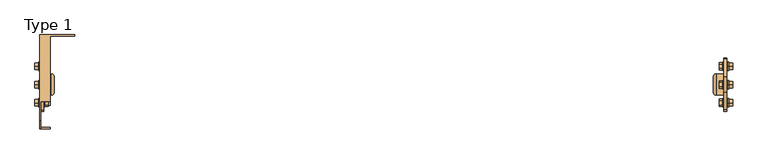
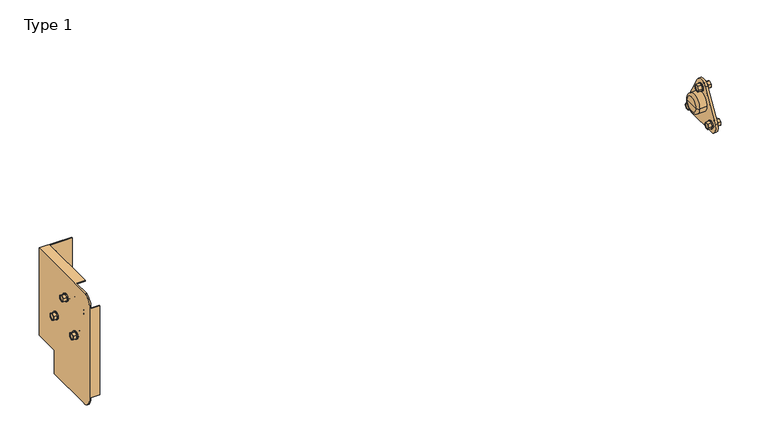
"""IFC4 building model written with IfcOpenShell, lengths in millimetres: door geometry, Type 1."""

from ifc_helpers import new_model, si_unit, point, frame, frame_2d, origin, place, context, project, spatial, polyline, circle_curve, ellipse_curve, trimmed, segment, composite_curve, outline, extrude, faceted_brep, source, transform, mapped, element, save
from ifc_brep_helpers import plane_surface, cylinder_surface, revolved_surface, advanced_brep


def type_1_a5070d09(model_context):
    return source(origin(), model_context, "Body", "SolidModel", [
        faceted_brep([(-633.7, -163.8018734, 2137.2589329), (-633.7, -170.7981266, 2137.2589329), (-633.7, -174.2962531, 2131.2), (-633.7, -170.7981266, 2125.1410671), (-633.7, -163.8018734, 2125.1410671), (-633.7, -160.3037469, 2131.2), (-633.7, -164.3, 2126.0038476), (-633.7, -170.3, 2126.0038476), (-633.7, -173.3, 2131.2), (-633.7, -170.3, 2136.3961524), (-633.7, -164.3, 2136.3961524), (-633.7, -161.3, 2131.2), (-640.7, -163.8018734, 2137.2589329), (-640.7, -160.3037469, 2131.2), (-640.7, -163.8018734, 2125.1410671), (-640.7, -170.7981266, 2125.1410671), (-640.7, -174.2962531, 2131.2), (-640.7, -170.7981266, 2137.2589329), (-634.7, -164.3, 2126.0038476), (-634.7, -161.3, 2131.2), (-634.7, -164.3, 2136.3961524), (-634.7, -170.3, 2136.3961524), (-634.7, -173.3, 2131.2), (-634.7, -170.3, 2126.0038476)], [[[0, 1, 2, 3, 4, 5], [6, 7, 8, 9, 10, 11]], [[12, 13, 14, 15, 16, 17]], [[1, 0, 12, 17]], [[2, 1, 17, 16]], [[3, 2, 16, 15]], [[4, 3, 15, 14]], [[5, 4, 14, 13]], [[0, 5, 13, 12]], [[18, 19, 20, 21, 22, 23]], [[18, 23, 7, 6]], [[23, 22, 8, 7]], [[22, 21, 9, 8]], [[21, 20, 10, 9]], [[20, 19, 11, 10]], [[19, 18, 6, 11]]]),
        extrude(outline(composite_curve([segment(trimmed(circle_curve(frame_2d((-167.3, 2131.2)), 8.0), [point((-175.3, 2131.2))], [point((-159.3, 2131.2))], False, "CARTESIAN"), True, "CONTINUOUS"), segment(trimmed(circle_curve(frame_2d((-167.3, 2131.2)), 8.0), [point((-159.3, 2131.2))], [point((-175.3, 2131.2))], False, "CARTESIAN"), True, "CONTINUOUS")], self_intersect=False), holes=[composite_curve([segment(trimmed(circle_curve(frame_2d((-167.3, 2131.2)), 4.5), [point((-171.8, 2131.2))], [point((-162.8, 2131.2))], True, "CARTESIAN"), True, "CONTINUOUS"), segment(trimmed(circle_curve(frame_2d((-167.3, 2131.2)), 4.5), [point((-162.8, 2131.2))], [point((-171.8, 2131.2))], True, "CARTESIAN"), True, "CONTINUOUS")], self_intersect=False)]), frame((-642.7, 0.0, 0.0), z_axis=(1.0, 0.0, 0.0), x_axis=(0.0, 1.0, 0.0)), (0.0, 0.0, 1.0), 2.0),
        advanced_brep(
        [(-622.7, -117.7, 2161.2), (-622.7, -147.7, 2161.2), (-622.7, -132.7, 2161.2), (-627.7, -112.7, 2161.2), (-627.7, -152.7, 2161.2), (-642.7, -112.7, 2161.2), (-642.7, -152.7, 2161.2), (-642.7, -132.7, 2161.2)],
        [
            (0, 1, circle_curve(frame((-622.7, -132.7, 2161.2), z_axis=(1.0, 0.0, 0.0), x_axis=(0.0, -1.0, 0.0)), 15.0)),
            (1, 2),
            (2, 0),
            (1, 0, circle_curve(frame((-622.7, -132.7, 2161.2), z_axis=(1.0, 0.0, 0.0), x_axis=(0.0, -1.0, 0.0)), 15.0)),
            (3, 4, circle_curve(frame((-627.7, -132.7, 2161.2), z_axis=(1.0, 0.0, 0.0), x_axis=(0.0, -1.0, 0.0)), 20.0)),
            (4, 1, circle_curve(frame((-627.7, -147.7, 2161.2), z_axis=(0.0, 0.0, 1.0), x_axis=(0.0, 1.0, 0.0)), 5.0)),
            (0, 3, circle_curve(frame((-627.7, -117.7, 2161.2), z_axis=(0.0, 0.0, 1.0), x_axis=(0.0, -1.0, 0.0)), 5.0)),
            (4, 3, circle_curve(frame((-627.7, -132.7, 2161.2), z_axis=(1.0, 0.0, 0.0), x_axis=(0.0, -1.0, 0.0)), 20.0)),
            (5, 6, circle_curve(frame((-642.7, -132.7, 2161.2), z_axis=(1.0, 0.0, 0.0), x_axis=(0.0, -1.0, 0.0)), 20.0)),
            (6, 4),
            (3, 5),
            (6, 5, circle_curve(frame((-642.7, -132.7, 2161.2), z_axis=(1.0, 0.0, 0.0), x_axis=(0.0, -1.0, 0.0)), 20.0)),
            (7, 6),
            (5, 7),
        ],
        [
            plane_surface(frame((-622.7, -132.7, 2161.2), z_axis=(1.0, 0.0, 0.0), x_axis=(0.0, -1.0, 0.0))),
            revolved_surface(trimmed(ellipse_curve(frame((-627.7, -147.7, 2161.2), z_axis=(0.0, 0.0, -1.0), x_axis=(0.0, 1.0, 0.0)), 5.0, 5.0), [point((-622.7, -147.7, 2161.2))], [point((-627.7, -152.7, 2161.2))], True, "CARTESIAN"), (1961.3581012, -132.7, 2161.2), (-1.0, 0.0, 0.0)),
            cylinder_surface(frame((1961.3581012, -132.7, 2161.2), z_axis=(-1.0, 0.0, 0.0), x_axis=(0.0, -1.0, 0.0)), 20.0),
            plane_surface(frame((-642.7, -132.7, 2161.2), z_axis=(-1.0, 0.0, 0.0), x_axis=(0.0, -1.0, 0.0))),
        ],
        [
            (0, [[1, 2, 3]]),
            (0, [[4, -3, -2]]),
            (1, [[5, 6, -1, 7]]),
            (1, [[8, -7, -4, -6]]),
            (2, [[9, 10, -5, 11]]),
            (2, [[12, -11, -8, -10]]),
            (3, [[13, -9, 14]]),
            (3, [[-14, -12, -13]]),
        ],
    ),
        extrude(outline(composite_curve([segment(polyline([(-118.8394925, 2199.1928926), (-84.2394925, 2139.1928926)]), True, "CONTINUOUS"), segment(trimmed(circle_curve(frame_2d((-98.1, 2131.2)), 16.0), [point((-84.2394925, 2139.1928926))], [point((-98.1, 2115.2))], False, "CARTESIAN"), True, "CONTINUOUS"), segment(polyline([(-98.1, 2115.2), (-167.3, 2115.2)]), True, "CONTINUOUS"), segment(trimmed(circle_curve(frame_2d((-167.3, 2131.2)), 16.0), [point((-167.3, 2115.2))], [point((-181.1605075, 2139.1928926))], False, "CARTESIAN"), True, "CONTINUOUS"), segment(polyline([(-181.1605075, 2139.1928926), (-146.5605075, 2199.1928926)]), True, "CONTINUOUS"), segment(trimmed(circle_curve(frame_2d((-132.7, 2191.2)), 16.0), [point((-146.5605075, 2199.1928926))], [point((-118.8394925, 2199.1928926))], False, "CARTESIAN"), True, "CONTINUOUS")], self_intersect=False), holes=[composite_curve([segment(trimmed(circle_curve(frame_2d((-132.7, 2191.2)), 4.0), [point((-136.7, 2191.2))], [point((-128.7, 2191.2))], True, "CARTESIAN"), True, "CONTINUOUS"), segment(trimmed(circle_curve(frame_2d((-132.7, 2191.2)), 4.0), [point((-128.7, 2191.2))], [point((-136.7, 2191.2))], True, "CARTESIAN"), True, "CONTINUOUS")], self_intersect=False), composite_curve([segment(trimmed(circle_curve(frame_2d((-167.3, 2131.2)), 4.0), [point((-171.3, 2131.2))], [point((-163.3, 2131.2))], True, "CARTESIAN"), True, "CONTINUOUS"), segment(trimmed(circle_curve(frame_2d((-167.3, 2131.2)), 4.0), [point((-163.3, 2131.2))], [point((-171.3, 2131.2))], True, "CARTESIAN"), True, "CONTINUOUS")], self_intersect=False), composite_curve([segment(trimmed(circle_curve(frame_2d((-98.1, 2131.2)), 4.0), [point((-102.1, 2131.2))], [point((-94.1, 2131.2))], True, "CARTESIAN"), True, "CONTINUOUS"), segment(trimmed(circle_curve(frame_2d((-98.1, 2131.2)), 4.0), [point((-94.1, 2131.2))], [point((-102.1, 2131.2))], True, "CARTESIAN"), True, "CONTINUOUS")], self_intersect=False)]), frame((-647.7, 0.0, 0.0), z_axis=(1.0, 0.0, 0.0), x_axis=(0.0, 1.0, 0.0)), (0.0, 0.0, 1.0), 5.0),
        faceted_brep([(633.7, -136.1981266, 2197.2589329), (633.7, -129.2018734, 2197.2589329), (633.7, -125.7037469, 2191.2), (633.7, -129.2018734, 2185.1410671), (633.7, -136.1981266, 2185.1410671), (633.7, -139.6962531, 2191.2), (633.7, -135.7, 2186.0038476), (633.7, -129.7, 2186.0038476), (633.7, -126.7, 2191.2), (633.7, -129.7, 2196.3961524), (633.7, -135.7, 2196.3961524), (633.7, -138.7, 2191.2), (640.7, -136.1981266, 2197.2589329), (640.7, -139.6962531, 2191.2), (640.7, -136.1981266, 2185.1410671), (640.7, -129.2018734, 2185.1410671), (640.7, -125.7037469, 2191.2), (640.7, -129.2018734, 2197.2589329), (634.7, -135.7, 2186.0038476), (634.7, -138.7, 2191.2), (634.7, -135.7, 2196.3961524), (634.7, -129.7, 2196.3961524), (634.7, -126.7, 2191.2), (634.7, -129.7, 2186.0038476)], [[[0, 1, 2, 3, 4, 5], [6, 7, 8, 9, 10, 11]], [[12, 13, 14, 15, 16, 17]], [[1, 0, 12, 17]], [[2, 1, 17, 16]], [[3, 2, 16, 15]], [[4, 3, 15, 14]], [[5, 4, 14, 13]], [[0, 5, 13, 12]], [[18, 19, 20, 21, 22, 23]], [[18, 23, 7, 6]], [[23, 22, 8, 7]], [[22, 21, 9, 8]], [[21, 20, 10, 9]], [[20, 19, 11, 10]], [[19, 18, 6, 11]]]),
        extrude(outline(composite_curve([segment(trimmed(circle_curve(frame_2d((-132.7, 2191.2)), 8.0), [point((-124.7, 2191.2))], [point((-140.7, 2191.2))], False, "CARTESIAN"), True, "CONTINUOUS"), segment(trimmed(circle_curve(frame_2d((-132.7, 2191.2)), 8.0), [point((-140.7, 2191.2))], [point((-124.7, 2191.2))], False, "CARTESIAN"), True, "CONTINUOUS")], self_intersect=False), holes=[composite_curve([segment(trimmed(circle_curve(frame_2d((-132.7, 2191.2)), 4.5), [point((-128.2, 2191.2))], [point((-137.2, 2191.2))], True, "CARTESIAN"), True, "CONTINUOUS"), segment(trimmed(circle_curve(frame_2d((-132.7, 2191.2)), 4.5), [point((-137.2, 2191.2))], [point((-128.2, 2191.2))], True, "CARTESIAN"), True, "CONTINUOUS")], self_intersect=False)]), frame((640.7, 0.0, 0.0), z_axis=(1.0, 0.0, 0.0), x_axis=(0.0, 1.0, 0.0)), (0.0, 0.0, 1.0), 2.0),
        faceted_brep([(633.7, -170.7981266, 2137.2589329), (633.7, -163.8018734, 2137.2589329), (633.7, -160.3037469, 2131.2), (633.7, -163.8018734, 2125.1410671), (633.7, -170.7981266, 2125.1410671), (633.7, -174.2962531, 2131.2), (633.7, -170.3, 2126.0038476), (633.7, -164.3, 2126.0038476), (633.7, -161.3, 2131.2), (633.7, -164.3, 2136.3961524), (633.7, -170.3, 2136.3961524), (633.7, -173.3, 2131.2), (640.7, -170.7981266, 2137.2589329), (640.7, -174.2962531, 2131.2), (640.7, -170.7981266, 2125.1410671), (640.7, -163.8018734, 2125.1410671), (640.7, -160.3037469, 2131.2), (640.7, -163.8018734, 2137.2589329), (634.7, -170.3, 2126.0038476), (634.7, -173.3, 2131.2), (634.7, -170.3, 2136.3961524), (634.7, -164.3, 2136.3961524), (634.7, -161.3, 2131.2), (634.7, -164.3, 2126.0038476)], [[[0, 1, 2, 3, 4, 5], [6, 7, 8, 9, 10, 11]], [[12, 13, 14, 15, 16, 17]], [[1, 0, 12, 17]], [[2, 1, 17, 16]], [[3, 2, 16, 15]], [[4, 3, 15, 14]], [[5, 4, 14, 13]], [[0, 5, 13, 12]], [[18, 19, 20, 21, 22, 23]], [[18, 23, 7, 6]], [[23, 22, 8, 7]], [[22, 21, 9, 8]], [[21, 20, 10, 9]], [[20, 19, 11, 10]], [[19, 18, 6, 11]]]),
        extrude(outline(composite_curve([segment(trimmed(circle_curve(frame_2d((-167.3, 2131.2)), 8.0), [point((-159.3, 2131.2))], [point((-175.3, 2131.2))], False, "CARTESIAN"), True, "CONTINUOUS"), segment(trimmed(circle_curve(frame_2d((-167.3, 2131.2)), 8.0), [point((-175.3, 2131.2))], [point((-159.3, 2131.2))], False, "CARTESIAN"), True, "CONTINUOUS")], self_intersect=False), holes=[composite_curve([segment(trimmed(circle_curve(frame_2d((-167.3, 2131.2)), 4.5), [point((-162.8, 2131.2))], [point((-171.8, 2131.2))], True, "CARTESIAN"), True, "CONTINUOUS"), segment(trimmed(circle_curve(frame_2d((-167.3, 2131.2)), 4.5), [point((-171.8, 2131.2))], [point((-162.8, 2131.2))], True, "CARTESIAN"), True, "CONTINUOUS")], self_intersect=False)]), frame((640.7, 0.0, 0.0), z_axis=(1.0, 0.0, 0.0), x_axis=(0.0, 1.0, 0.0)), (0.0, 0.0, 1.0), 2.0),
        faceted_brep([(633.7, -101.5981266, 2137.2589329), (633.7, -94.6018734, 2137.2589329), (633.7, -91.1037469, 2131.2), (633.7, -94.6018734, 2125.1410671), (633.7, -101.5981266, 2125.1410671), (633.7, -105.0962531, 2131.2), (633.7, -101.1, 2126.0038476), (633.7, -95.1, 2126.0038476), (633.7, -92.1, 2131.2), (633.7, -95.1, 2136.3961524), (633.7, -101.1, 2136.3961524), (633.7, -104.1, 2131.2), (640.7, -101.5981266, 2137.2589329), (640.7, -105.0962531, 2131.2), (640.7, -101.5981266, 2125.1410671), (640.7, -94.6018734, 2125.1410671), (640.7, -91.1037469, 2131.2), (640.7, -94.6018734, 2137.2589329), (634.7, -101.1, 2126.0038476), (634.7, -104.1, 2131.2), (634.7, -101.1, 2136.3961524), (634.7, -95.1, 2136.3961524), (634.7, -92.1, 2131.2), (634.7, -95.1, 2126.0038476)], [[[0, 1, 2, 3, 4, 5], [6, 7, 8, 9, 10, 11]], [[12, 13, 14, 15, 16, 17]], [[1, 0, 12, 17]], [[2, 1, 17, 16]], [[3, 2, 16, 15]], [[4, 3, 15, 14]], [[5, 4, 14, 13]], [[0, 5, 13, 12]], [[18, 19, 20, 21, 22, 23]], [[18, 23, 7, 6]], [[23, 22, 8, 7]], [[22, 21, 9, 8]], [[21, 20, 10, 9]], [[20, 19, 11, 10]], [[19, 18, 6, 11]]]),
        extrude(outline(composite_curve([segment(trimmed(circle_curve(frame_2d((-98.1, 2131.2)), 8.0), [point((-90.1, 2131.2))], [point((-106.1, 2131.2))], False, "CARTESIAN"), True, "CONTINUOUS"), segment(trimmed(circle_curve(frame_2d((-98.1, 2131.2)), 8.0), [point((-106.1, 2131.2))], [point((-90.1, 2131.2))], False, "CARTESIAN"), True, "CONTINUOUS")], self_intersect=False), holes=[composite_curve([segment(trimmed(circle_curve(frame_2d((-98.1, 2131.2)), 4.5), [point((-93.6, 2131.2))], [point((-102.6, 2131.2))], True, "CARTESIAN"), True, "CONTINUOUS"), segment(trimmed(circle_curve(frame_2d((-98.1, 2131.2)), 4.5), [point((-102.6, 2131.2))], [point((-93.6, 2131.2))], True, "CARTESIAN"), True, "CONTINUOUS")], self_intersect=False)]), frame((640.7, 0.0, 0.0), z_axis=(1.0, 0.0, 0.0), x_axis=(0.0, 1.0, 0.0)), (0.0, 0.0, 1.0), 2.0),
        advanced_brep(
        [(622.7, -147.7, 2161.2), (622.7, -117.7, 2161.2), (622.7, -132.7, 2161.2), (627.7, -152.7, 2161.2), (627.7, -112.7, 2161.2), (642.7, -152.7, 2161.2), (642.7, -112.7, 2161.2), (642.7, -132.7, 2161.2)],
        [
            (0, 1, circle_curve(frame((622.7, -132.7, 2161.2), z_axis=(-1.0, 0.0, 0.0), x_axis=(0.0, 1.0, 0.0)), 15.0)),
            (1, 2),
            (2, 0),
            (1, 0, circle_curve(frame((622.7, -132.7, 2161.2), z_axis=(-1.0, 0.0, 0.0), x_axis=(0.0, 1.0, 0.0)), 15.0)),
            (3, 4, circle_curve(frame((627.7, -132.7, 2161.2), z_axis=(-1.0, 0.0, 0.0), x_axis=(0.0, 1.0, 0.0)), 20.0)),
            (4, 1, circle_curve(frame((627.7, -117.7, 2161.2), z_axis=(0.0, 0.0, 1.0), x_axis=(0.0, -1.0, 0.0)), 5.0)),
            (0, 3, circle_curve(frame((627.7, -147.7, 2161.2), z_axis=(0.0, 0.0, 1.0), x_axis=(0.0, 1.0, 0.0)), 5.0)),
            (4, 3, circle_curve(frame((627.7, -132.7, 2161.2), z_axis=(-1.0, 0.0, 0.0), x_axis=(0.0, 1.0, 0.0)), 20.0)),
            (5, 6, circle_curve(frame((642.7, -132.7, 2161.2), z_axis=(-1.0, 0.0, 0.0), x_axis=(0.0, 1.0, 0.0)), 20.0)),
            (6, 4),
            (3, 5),
            (6, 5, circle_curve(frame((642.7, -132.7, 2161.2), z_axis=(-1.0, 0.0, 0.0), x_axis=(0.0, 1.0, 0.0)), 20.0)),
            (7, 6),
            (5, 7),
        ],
        [
            plane_surface(frame((622.7, -132.7, 2161.2), z_axis=(-1.0, 0.0, 0.0), x_axis=(0.0, 1.0, 0.0))),
            revolved_surface(trimmed(ellipse_curve(frame((627.7, -117.7, 2161.2), z_axis=(0.0, 0.0, -1.0), x_axis=(0.0, -1.0, 0.0)), 5.0, 5.0), [point((622.7, -117.7, 2161.2))], [point((627.7, -112.7, 2161.2))], True, "CARTESIAN"), (-1961.3581012, -132.7, 2161.2), (1.0, 0.0, 0.0)),
            cylinder_surface(frame((-1961.3581012, -132.7, 2161.2), z_axis=(1.0, 0.0, 0.0), x_axis=(0.0, 1.0, 0.0)), 20.0),
            plane_surface(frame((642.7, -132.7, 2161.2), z_axis=(1.0, 0.0, 0.0), x_axis=(0.0, 1.0, 0.0))),
        ],
        [
            (0, [[1, 2, 3]]),
            (0, [[4, -3, -2]]),
            (1, [[5, 6, -1, 7]]),
            (1, [[8, -7, -4, -6]]),
            (2, [[9, 10, -5, 11]]),
            (2, [[12, -11, -8, -10]]),
            (3, [[13, -9, 14]]),
            (3, [[-14, -12, -13]]),
        ],
    ),
        extrude(outline(composite_curve([segment(trimmed(circle_curve(frame_2d((-132.7, 2191.2)), 16.0), [point((-146.5605075, 2199.1928926))], [point((-118.8394925, 2199.1928926))], False, "CARTESIAN"), True, "CONTINUOUS"), segment(polyline([(-118.8394925, 2199.1928926), (-84.2394925, 2139.1928926)]), True, "CONTINUOUS"), segment(trimmed(circle_curve(frame_2d((-98.1, 2131.2)), 16.0), [point((-84.2394925, 2139.1928926))], [point((-98.1, 2115.2))], False, "CARTESIAN"), True, "CONTINUOUS"), segment(polyline([(-98.1, 2115.2), (-167.3, 2115.2)]), True, "CONTINUOUS"), segment(trimmed(circle_curve(frame_2d((-167.3, 2131.2)), 16.0), [point((-167.3, 2115.2))], [point((-181.1605075, 2139.1928926))], False, "CARTESIAN"), True, "CONTINUOUS"), segment(polyline([(-181.1605075, 2139.1928926), (-146.5605075, 2199.1928926)]), True, "CONTINUOUS")], self_intersect=False), holes=[composite_curve([segment(trimmed(circle_curve(frame_2d((-132.7, 2191.2)), 4.0), [point((-128.7, 2191.2))], [point((-136.7, 2191.2))], True, "CARTESIAN"), True, "CONTINUOUS"), segment(trimmed(circle_curve(frame_2d((-132.7, 2191.2)), 4.0), [point((-136.7, 2191.2))], [point((-128.7, 2191.2))], True, "CARTESIAN"), True, "CONTINUOUS")], self_intersect=False), composite_curve([segment(trimmed(circle_curve(frame_2d((-98.1, 2131.2)), 4.0), [point((-94.1, 2131.2))], [point((-102.1, 2131.2))], True, "CARTESIAN"), True, "CONTINUOUS"), segment(trimmed(circle_curve(frame_2d((-98.1, 2131.2)), 4.0), [point((-102.1, 2131.2))], [point((-94.1, 2131.2))], True, "CARTESIAN"), True, "CONTINUOUS")], self_intersect=False), composite_curve([segment(trimmed(circle_curve(frame_2d((-167.3, 2131.2)), 4.0), [point((-163.3, 2131.2))], [point((-171.3, 2131.2))], True, "CARTESIAN"), True, "CONTINUOUS"), segment(trimmed(circle_curve(frame_2d((-167.3, 2131.2)), 4.0), [point((-171.3, 2131.2))], [point((-163.3, 2131.2))], True, "CARTESIAN"), True, "CONTINUOUS")], self_intersect=False)]), frame((642.7, 0.0, 0.0), z_axis=(1.0, 0.0, 0.0), x_axis=(0.0, 1.0, 0.0)), (0.0, 0.0, 1.0), 5.0),
        faceted_brep([(-659.0, -104.1179168, 2134.6981266), (-659.0, -98.0589838, 2138.1962531), (-659.0, -92.0000509, 2134.6981266), (-659.0, -92.0000509, 2127.7018734), (-659.0, -98.0589838, 2124.2037469), (-659.0, -104.1179168, 2127.7018734), (-659.0, -92.8628314, 2134.2), (-659.0, -98.0589838, 2137.2), (-659.0, -103.2551363, 2134.2), (-659.0, -103.2551363, 2128.2), (-659.0, -98.0589838, 2125.2), (-659.0, -92.8628314, 2128.2), (-652.0, -104.1179168, 2134.6981266), (-652.0, -104.1179168, 2127.7018734), (-652.0, -98.0589838, 2124.2037469), (-652.0, -92.0000509, 2127.7018734), (-652.0, -92.0000509, 2134.6981266), (-652.0, -98.0589838, 2138.1962531), (-658.0, -92.8628314, 2134.2), (-658.0, -92.8628314, 2128.2), (-658.0, -98.0589838, 2125.2), (-658.0, -103.2551363, 2128.2), (-658.0, -103.2551363, 2134.2), (-658.0, -98.0589838, 2137.2)], [[[0, 1, 2, 3, 4, 5], [6, 7, 8, 9, 10, 11]], [[12, 13, 14, 15, 16, 17]], [[5, 13, 12, 0]], [[4, 14, 13, 5]], [[3, 15, 14, 4]], [[2, 16, 15, 3]], [[1, 17, 16, 2]], [[0, 12, 17, 1]], [[18, 19, 20, 21, 22, 23]], [[18, 6, 11, 19]], [[19, 11, 10, 20]], [[20, 10, 9, 21]], [[21, 9, 8, 22]], [[22, 8, 7, 23]], [[23, 7, 6, 18]]]),
        extrude(outline(composite_curve([segment(trimmed(circle_curve(frame_2d((-98.0589838, 2131.2)), 8.0), [point((-98.0589838, 2123.2))], [point((-98.0589838, 2139.2))], False, "CARTESIAN"), True, "CONTINUOUS"), segment(trimmed(circle_curve(frame_2d((-98.0589838, 2131.2)), 8.0), [point((-98.0589838, 2139.2))], [point((-98.0589838, 2123.2))], False, "CARTESIAN"), True, "CONTINUOUS")], self_intersect=False), holes=[composite_curve([segment(trimmed(circle_curve(frame_2d((-98.0589838, 2131.2)), 4.5), [point((-98.0589838, 2126.7))], [point((-98.0589838, 2135.7))], True, "CARTESIAN"), True, "CONTINUOUS"), segment(trimmed(circle_curve(frame_2d((-98.0589838, 2131.2)), 4.5), [point((-98.0589838, 2135.7))], [point((-98.0589838, 2126.7))], True, "CARTESIAN"), True, "CONTINUOUS")], self_intersect=False)]), frame((-652.0, 0.0, 0.0), z_axis=(1.0, 0.0, 0.0), x_axis=(0.0, 1.0, 0.0)), (0.0, 0.0, 1.0), 2.0),
        faceted_brep([(-659.0, -173.3999491, 2134.6981266), (-659.0, -167.3410162, 2138.1962531), (-659.0, -161.2820832, 2134.6981266), (-659.0, -161.2820832, 2127.7018734), (-659.0, -167.3410162, 2124.2037469), (-659.0, -173.3999491, 2127.7018734), (-659.0, -162.1448637, 2134.2), (-659.0, -167.3410162, 2137.2), (-659.0, -172.5371686, 2134.2), (-659.0, -172.5371686, 2128.2), (-659.0, -167.3410162, 2125.2), (-659.0, -162.1448637, 2128.2), (-652.0, -173.3999491, 2134.6981266), (-652.0, -173.3999491, 2127.7018734), (-652.0, -167.3410162, 2124.2037469), (-652.0, -161.2820832, 2127.7018734), (-652.0, -161.2820832, 2134.6981266), (-652.0, -167.3410162, 2138.1962531), (-658.0, -162.1448637, 2134.2), (-658.0, -162.1448637, 2128.2), (-658.0, -167.3410162, 2125.2), (-658.0, -172.5371686, 2128.2), (-658.0, -172.5371686, 2134.2), (-658.0, -167.3410162, 2137.2)], [[[0, 1, 2, 3, 4, 5], [6, 7, 8, 9, 10, 11]], [[12, 13, 14, 15, 16, 17]], [[5, 13, 12, 0]], [[4, 14, 13, 5]], [[3, 15, 14, 4]], [[2, 16, 15, 3]], [[1, 17, 16, 2]], [[0, 12, 17, 1]], [[18, 19, 20, 21, 22, 23]], [[18, 6, 11, 19]], [[19, 11, 10, 20]], [[20, 10, 9, 21]], [[21, 9, 8, 22]], [[22, 8, 7, 23]], [[23, 7, 6, 18]]]),
        extrude(outline(composite_curve([segment(trimmed(circle_curve(frame_2d((-167.3410162, 2131.2)), 8.0), [point((-167.3410162, 2123.2))], [point((-167.3410162, 2139.2))], False, "CARTESIAN"), True, "CONTINUOUS"), segment(trimmed(circle_curve(frame_2d((-167.3410162, 2131.2)), 8.0), [point((-167.3410162, 2139.2))], [point((-167.3410162, 2123.2))], False, "CARTESIAN"), True, "CONTINUOUS")], self_intersect=False), holes=[composite_curve([segment(trimmed(circle_curve(frame_2d((-167.3410162, 2131.2)), 4.5), [point((-167.3410162, 2126.7))], [point((-167.3410162, 2135.7))], True, "CARTESIAN"), True, "CONTINUOUS"), segment(trimmed(circle_curve(frame_2d((-167.3410162, 2131.2)), 4.5), [point((-167.3410162, 2135.7))], [point((-167.3410162, 2126.7))], True, "CARTESIAN"), True, "CONTINUOUS")], self_intersect=False)]), frame((-652.0, 0.0, 0.0), z_axis=(1.0, 0.0, 0.0), x_axis=(0.0, 1.0, 0.0)), (0.0, 0.0, 1.0), 2.0),
        faceted_brep([(-659.0, -138.7589329, 2194.6981266), (-659.0, -132.7, 2198.1962531), (-659.0, -126.6410671, 2194.6981266), (-659.0, -126.6410671, 2187.7018734), (-659.0, -132.7, 2184.2037469), (-659.0, -138.7589329, 2187.7018734), (-659.0, -127.5038476, 2194.2), (-659.0, -132.7, 2197.2), (-659.0, -137.8961524, 2194.2), (-659.0, -137.8961524, 2188.2), (-659.0, -132.7, 2185.2), (-659.0, -127.5038476, 2188.2), (-652.0, -138.7589329, 2194.6981266), (-652.0, -138.7589329, 2187.7018734), (-652.0, -132.7, 2184.2037469), (-652.0, -126.6410671, 2187.7018734), (-652.0, -126.6410671, 2194.6981266), (-652.0, -132.7, 2198.1962531), (-658.0, -127.5038476, 2194.2), (-658.0, -127.5038476, 2188.2), (-658.0, -132.7, 2185.2), (-658.0, -137.8961524, 2188.2), (-658.0, -137.8961524, 2194.2), (-658.0, -132.7, 2197.2)], [[[0, 1, 2, 3, 4, 5], [6, 7, 8, 9, 10, 11]], [[12, 13, 14, 15, 16, 17]], [[5, 13, 12, 0]], [[4, 14, 13, 5]], [[3, 15, 14, 4]], [[2, 16, 15, 3]], [[1, 17, 16, 2]], [[0, 12, 17, 1]], [[18, 19, 20, 21, 22, 23]], [[18, 6, 11, 19]], [[19, 11, 10, 20]], [[20, 10, 9, 21]], [[21, 9, 8, 22]], [[22, 8, 7, 23]], [[23, 7, 6, 18]]]),
        extrude(outline(composite_curve([segment(trimmed(circle_curve(frame_2d((-132.7, 2191.2)), 8.0), [point((-132.7, 2183.2))], [point((-132.7, 2199.2))], False, "CARTESIAN"), True, "CONTINUOUS"), segment(trimmed(circle_curve(frame_2d((-132.7, 2191.2)), 8.0), [point((-132.7, 2199.2))], [point((-132.7, 2183.2))], False, "CARTESIAN"), True, "CONTINUOUS")], self_intersect=False), holes=[composite_curve([segment(trimmed(circle_curve(frame_2d((-132.7, 2191.2)), 4.5), [point((-132.7, 2186.7))], [point((-132.7, 2195.7))], True, "CARTESIAN"), True, "CONTINUOUS"), segment(trimmed(circle_curve(frame_2d((-132.7, 2191.2)), 4.5), [point((-132.7, 2195.7))], [point((-132.7, 2186.7))], True, "CARTESIAN"), True, "CONTINUOUS")], self_intersect=False)]), frame((-652.0, 0.0, 0.0), z_axis=(1.0, 0.0, 0.0), x_axis=(0.0, 1.0, 0.0)), (0.0, 0.0, 1.0), 2.0),
        advanced_brep(
        [(-647.7, -194.5, 2001.0), (-647.7, -171.9, 2001.0), (-647.7, -171.9, 2003.3), (-647.7, -108.3, 2003.3), (-647.7, -108.3, 2001.0), (-647.7, -91.5, 2001.0), (-647.7, -91.5, 2052.0), (-647.7, -52.5, 2052.0), (-647.7, -52.5, 2054.3), (-647.7, -40.8, 2054.3), (-647.7, -40.8, 2237.7), (-647.7, -165.0, 2237.7), (-647.7, -165.0, 2240.0), (-647.7, -200.8030296, 2240.0), (-647.7, -216.5, 2218.7), (-647.7, -216.5, 2216.0), (-647.7, -214.2, 2216.0), (-647.7, -214.2, 2025.0), (-647.7, -216.5, 2025.0), (-647.7, -216.5, 2023.0), (-647.7, -132.7, 2186.7), (-647.7, -132.7, 2195.7), (-647.7, -167.3410162, 2126.7), (-647.7, -167.3410162, 2135.7), (-647.7, -98.0589838, 2126.7), (-647.7, -98.0589838, 2135.7), (-650.0, -194.5, 2001.0), (-650.0, -216.5, 2023.0), (-650.0, -216.5, 2218.7), (-650.0, -200.8030296, 2240.0), (-650.0, -38.5, 2240.0), (-650.0, -38.5, 2052.0), (-650.0, -91.5, 2052.0), (-650.0, -91.5, 2001.0), (-650.0, -132.7, 2195.7), (-650.0, -132.7, 2186.7), (-650.0, -167.3410162, 2135.7), (-650.0, -167.3410162, 2126.7), (-650.0, -98.0589838, 2135.7), (-650.0, -98.0589838, 2126.7), (-629.7, -108.3, 2001.0), (-629.7, -171.9, 2001.0), (-584.0, -38.5, 2052.0), (-584.0, -40.8, 2052.0), (-629.7, -40.8, 2052.0), (-629.7, -52.5, 2052.0), (-584.0, -38.5, 2240.0), (-616.7965975, -38.5, 2087.0750697), (-616.7965975, -38.5, 2090.8962284), (-623.2582481, -38.5, 2090.9721114), (-623.2586937, -38.5, 2087.0737385), (-616.7965975, -38.5, 2217.0561937), (-616.7965975, -38.5, 2220.8773524), (-623.2582481, -38.5, 2220.9532354), (-623.2586937, -38.5, 2217.0548626), (-629.7, -165.0, 2240.0), (-629.7, -40.8, 2240.0), (-584.0, -40.8, 2240.0), (-629.7, -216.5, 2025.0), (-629.7, -216.5, 2216.0), (-629.7, -40.8, 2237.7), (-629.7, -40.8, 2054.3), (-623.2586937, -40.8, 2087.0737385), (-623.2586937, -40.8, 2090.9721114), (-616.7965975, -40.8, 2090.8962284), (-616.7965975, -40.8, 2087.0750697), (-623.2586937, -40.8, 2217.0548626), (-623.2586937, -40.8, 2220.9532354), (-616.7965975, -40.8, 2220.8773524), (-616.7965975, -40.8, 2217.0561937), (-629.7, -108.3, 2003.3), (-629.7, -171.9, 2003.3), (-629.7, -214.2, 2025.0), (-629.7, -214.2, 2216.0), (-629.7, -165.0, 2237.7), (-629.7, -52.5, 2054.3)],
        [
            (0, 1),
            (1, 2),
            (2, 3),
            (3, 4),
            (4, 5),
            (5, 6),
            (6, 7),
            (7, 8),
            (8, 9),
            (9, 10),
            (10, 11),
            (11, 12),
            (12, 13),
            (13, 14, circle_curve(frame((-647.7, -194.2, 2218.7), z_axis=(1.0, 0.0, 0.0), x_axis=(0.0, 0.0, -1.0)), 22.3)),
            (14, 15),
            (15, 16),
            (16, 17),
            (17, 18),
            (18, 19),
            (19, 0, circle_curve(frame((-647.7, -194.5, 2023.0), z_axis=(1.0, 0.0, 0.0), x_axis=(0.0, 0.0, -1.0)), 22.0)),
            (20, 21, circle_curve(frame((-647.7, -132.7, 2191.2), z_axis=(-1.0, 0.0, 0.0), x_axis=(0.0, 0.0, -1.0)), 4.5)),
            (21, 20, circle_curve(frame((-647.7, -132.7, 2191.2), z_axis=(-1.0, 0.0, 0.0), x_axis=(0.0, 0.0, -1.0)), 4.5)),
            (22, 23, circle_curve(frame((-647.7, -167.3410162, 2131.2), z_axis=(-1.0, 0.0, 0.0), x_axis=(0.0, 0.0, -1.0)), 4.5)),
            (23, 22, circle_curve(frame((-647.7, -167.3410162, 2131.2), z_axis=(-1.0, 0.0, 0.0), x_axis=(0.0, 0.0, -1.0)), 4.5)),
            (24, 25, circle_curve(frame((-647.7, -98.0589838, 2131.2), z_axis=(-1.0, 0.0, 0.0), x_axis=(0.0, 0.0, -1.0)), 4.5)),
            (25, 24, circle_curve(frame((-647.7, -98.0589838, 2131.2), z_axis=(-1.0, 0.0, 0.0), x_axis=(0.0, 0.0, -1.0)), 4.5)),
            (26, 27, circle_curve(frame((-650.0, -194.5, 2023.0), z_axis=(-1.0, 0.0, 0.0), x_axis=(0.0, 0.0, -1.0)), 22.0)),
            (27, 28),
            (28, 29, circle_curve(frame((-650.0, -194.2, 2218.7), z_axis=(-1.0, 0.0, 0.0), x_axis=(0.0, 0.0, -1.0)), 22.3)),
            (29, 30),
            (30, 31),
            (31, 32),
            (32, 33),
            (33, 26),
            (34, 35, circle_curve(frame((-650.0, -132.7, 2191.2), z_axis=(1.0, 0.0, 0.0), x_axis=(0.0, 0.0, -1.0)), 4.5)),
            (35, 34, circle_curve(frame((-650.0, -132.7, 2191.2), z_axis=(1.0, 0.0, 0.0), x_axis=(0.0, 0.0, -1.0)), 4.5)),
            (36, 37, circle_curve(frame((-650.0, -167.3410162, 2131.2), z_axis=(1.0, 0.0, 0.0), x_axis=(0.0, 0.0, -1.0)), 4.5)),
            (37, 36, circle_curve(frame((-650.0, -167.3410162, 2131.2), z_axis=(1.0, 0.0, 0.0), x_axis=(0.0, 0.0, -1.0)), 4.5)),
            (38, 39, circle_curve(frame((-650.0, -98.0589838, 2131.2), z_axis=(1.0, 0.0, 0.0), x_axis=(0.0, 0.0, -1.0)), 4.5)),
            (39, 38, circle_curve(frame((-650.0, -98.0589838, 2131.2), z_axis=(1.0, 0.0, 0.0), x_axis=(0.0, 0.0, -1.0)), 4.5)),
            (33, 5),
            (4, 40),
            (40, 41),
            (41, 1),
            (0, 26),
            (32, 6),
            (31, 42),
            (42, 43),
            (43, 44),
            (44, 45),
            (45, 7),
            (30, 46),
            (46, 42),
            (47, 48),
            (48, 49, circle_curve(frame((-620.0269772, -38.5, 2090.9721114), z_axis=(0.0, -1.0, 0.0), x_axis=(-1.0, 0.0, 0.0)), 3.2312709)),
            (49, 50),
            (50, 47, circle_curve(frame((-620.0260861, -38.5, 2079.5035949), z_axis=(0.0, -1.0, 0.0), x_axis=(0.3923351593881129, 0.0, 0.9198223321424112)), 8.2314535)),
            (51, 52),
            (52, 53, circle_curve(frame((-620.0269772, -38.5, 2220.9532354), z_axis=(0.0, -1.0, 0.0), x_axis=(-1.0, 0.0, 0.0)), 3.2312709)),
            (53, 54),
            (54, 51, circle_curve(frame((-620.0260861, -38.5, 2209.484719), z_axis=(0.0, -1.0, 0.0), x_axis=(0.39233515938808705, 0.0, 0.9198223321424223)), 8.2314535)),
            (12, 55),
            (55, 56),
            (56, 57),
            (57, 46),
            (29, 13),
            (27, 19),
            (18, 58),
            (58, 59),
            (59, 15),
            (14, 28),
            (57, 43),
            (56, 60),
            (60, 10),
            (9, 61),
            (61, 44),
            (62, 63),
            (63, 64, circle_curve(frame((-620.0269772, -40.8, 2090.9721114), z_axis=(0.0, 1.0, 0.0), x_axis=(-1.0, 0.0, 0.0)), 3.2312709)),
            (64, 65),
            (65, 62, circle_curve(frame((-620.0260861, -40.8, 2079.5035949), z_axis=(0.0, 1.0, 0.0), x_axis=(0.3923351593881129, 0.0, 0.9198223321424112)), 8.2314535)),
            (66, 67),
            (67, 68, circle_curve(frame((-620.0269772, -40.8, 2220.9532354), z_axis=(0.0, 1.0, 0.0), x_axis=(-1.0, 0.0, 0.0)), 3.2312709)),
            (68, 69),
            (69, 66, circle_curve(frame((-620.0260861, -40.8, 2209.484719), z_axis=(0.0, 1.0, 0.0), x_axis=(0.39233515938808705, 0.0, 0.9198223321424223)), 8.2314535)),
            (40, 70),
            (70, 71),
            (71, 41),
            (3, 70),
            (2, 71),
            (72, 73),
            (73, 59),
            (58, 72),
            (72, 17),
            (16, 73),
            (74, 60),
            (55, 74),
            (11, 74),
            (50, 62),
            (65, 47),
            (64, 48),
            (63, 49),
            (54, 66),
            (69, 51),
            (68, 52),
            (67, 53),
            (61, 75),
            (75, 45),
            (8, 75),
            (21, 34),
            (35, 20),
            (23, 36),
            (37, 22),
            (25, 38),
            (39, 24),
        ],
        [
            plane_surface(frame((-647.7, 266.3, 2001.0), z_axis=(1.0, 0.0, 0.0), x_axis=(0.0, -1.0, 0.0))),
            plane_surface(frame((-650.0, 266.3, 2001.0), z_axis=(-1.0, 0.0, 0.0), x_axis=(0.0, 1.0, 0.0))),
            plane_surface(frame((-650.0, -194.5, 2001.0), z_axis=(0.0, 0.0, -1.0), x_axis=(1.0, 0.0, 0.0))),
            plane_surface(frame((-650.0, -91.5, 2001.0), z_axis=(0.0, 1.0, 0.0), x_axis=(1.0, 0.0, 0.0))),
            plane_surface(frame((-650.0, -91.5, 2052.0), z_axis=(0.0, 0.0, -1.0), x_axis=(1.0, 0.0, 0.0))),
            plane_surface(frame((-650.0, -38.5, 2052.0), z_axis=(0.0, 1.0, 0.0), x_axis=(1.0, 0.0, 0.0))),
            plane_surface(frame((-650.0, -38.5, 2240.0), z_axis=(0.0, 0.0, 1.0), x_axis=(1.0, 0.0, 0.0))),
            plane_surface(frame((-650.0, -216.5, 2218.7), z_axis=(0.0, -1.0, 0.0), x_axis=(1.0, 0.0, 0.0))),
            cylinder_surface(frame((-647.7, -194.5, 2023.0), z_axis=(-1.0, 0.0, 0.0), x_axis=(0.0, 0.0, -1.0)), 22.0),
            plane_surface(frame((-584.0, -40.8, 3465.2630168), z_axis=(1.0, 0.0, 0.0), x_axis=(0.0, 0.0, 1.0))),
            plane_surface(frame((-650.0, -40.8, 2240.0), z_axis=(0.0, -1.0, 0.0), x_axis=(1.0, 0.0, 0.0))),
            plane_surface(frame((-629.7, -108.3, 2120.9011398), z_axis=(1.0, 0.0, 0.0), x_axis=(0.0, 0.0, -1.0))),
            plane_surface(frame((-647.7, -108.3, 2001.0), z_axis=(0.0, 1.0, 0.0), x_axis=(1.0, 0.0, 0.0))),
            plane_surface(frame((-647.7, -108.3, 2003.3), z_axis=(0.0, 0.0, 1.0), x_axis=(1.0, 0.0, 0.0))),
            plane_surface(frame((-647.7, -171.9, 2003.3), z_axis=(0.0, -1.0, 0.0), x_axis=(1.0, 0.0, 0.0))),
            plane_surface(frame((-629.7, -214.2, 2434.7159675), z_axis=(1.0, 0.0, 0.0), x_axis=(0.0, 0.0, -1.0))),
            plane_surface(frame((-647.7, -214.2, 2025.0), z_axis=(0.0, 1.0, 0.0), x_axis=(1.0, 0.0, 0.0))),
            plane_surface(frame((-647.7, -214.2, 2216.0), z_axis=(0.0, 0.0, 1.0), x_axis=(1.0, 0.0, 0.0))),
            plane_surface(frame((-647.7, -216.5, 2025.0), z_axis=(0.0, 0.0, -1.0), x_axis=(1.0, 0.0, 0.0))),
            plane_surface(frame((-629.7, -38.5, 3465.2630168), z_axis=(1.0, 0.0, 0.0), x_axis=(0.0, 0.0, -1.0))),
            plane_surface(frame((-647.7, -165.0, 2240.0), z_axis=(0.0, -1.0, 0.0), x_axis=(1.0, 0.0, 0.0))),
            plane_surface(frame((-647.7, -165.0, 2237.7), z_axis=(0.0, 0.0, -1.0), x_axis=(1.0, 0.0, 0.0))),
            revolved_surface(polyline([(-616.7965974790817, -38.5, 2087.075069655292), (-616.7965974790817, -40.8, 2087.075069655292)]), (-620.0260861, -40.8, 2079.5035949), (0.0, 1.0, 0.0)),
            plane_surface(frame((-616.7965975, -38.5, 2087.0750697), z_axis=(-1.0, 0.0, 0.0), x_axis=(0.0, -1.0, 0.0))),
            revolved_surface(polyline([(-623.2582481000001, -38.5, 2090.9721114), (-623.2582481000001, -40.8, 2090.9721114)]), (-620.0269772, -40.8, 2090.9721114), (0.0, 1.0, 0.0)),
            plane_surface(frame((-623.2586937, -38.5, 2090.9721114), z_axis=(1.0, 0.0, 0.0), x_axis=(0.0, -1.0, 0.0))),
            revolved_surface(polyline([(-616.7965974790819, -38.5, 2217.056193755292), (-616.7965974790819, -40.8, 2217.056193755292)]), (-620.0260861, -38.5, 2209.484719), (0.0, 1.0000000000000002, 0.0)),
            plane_surface(frame((-616.7965975, -38.5, 2217.0561937), z_axis=(-1.0, 0.0, 0.0), x_axis=(0.0, -1.0, 0.0))),
            revolved_surface(polyline([(-623.2582481000001, -38.5, 2220.9532354), (-623.2582481000001, -40.8, 2220.9532354)]), (-620.0269772, -38.5, 2220.9532354), (0.0, 1.0, 0.0)),
            plane_surface(frame((-623.2586937, -38.5, 2220.9532354), z_axis=(1.0, 0.0, 0.0), x_axis=(0.0, -1.0, 0.0))),
            plane_surface(frame((-629.7, -38.5, 3219.2), z_axis=(1.0, 0.0, 0.0), x_axis=(0.0, 0.0, -1.0))),
            plane_surface(frame((-647.7, -38.5, 2054.3), z_axis=(0.0, 0.0, 1.0), x_axis=(1.0, 0.0, 0.0))),
            plane_surface(frame((-647.7, -52.5, 2054.3), z_axis=(0.0, -1.0, 0.0), x_axis=(1.0, 0.0, 0.0))),
            revolved_surface(polyline([(-647.7, -132.7, 2186.7), (-650.0, -132.7, 2186.7)]), (-650.0, -132.7, 2191.2), (1.0, 0.0, 0.0)),
            revolved_surface(polyline([(-647.7, -167.3410162, 2126.7), (-650.0, -167.3410162, 2126.7)]), (-650.0, -167.3410162, 2131.2), (1.0, 0.0, 0.0)),
            revolved_surface(polyline([(-647.7, -98.0589838, 2126.7), (-650.0, -98.0589838, 2126.7)]), (-650.0, -98.0589838, 2131.2), (1.0, 0.0, 0.0)),
            cylinder_surface(frame((-647.7, -194.2, 2218.7), z_axis=(-1.0, 0.0, 0.0), x_axis=(0.0, 0.0, -1.0)), 22.3),
        ],
        [
            (0, [[1, 2, 3, 4, 5, 6, 7, 8, 9, 10, 11, 12, 13, 14, 15, 16, 17, 18, 19, 20], [21, 22], [23, 24], [25, 26]]),
            (1, [[27, 28, 29, 30, 31, 32, 33, 34], [35, 36], [37, 38], [39, 40]]),
            (2, [[41, -5, 42, 43, 44, -1, 45, -34]]),
            (3, [[-41, -33, 46, -6]]),
            (4, [[-32, 47, 48, 49, 50, 51, -7, -46]]),
            (5, [[52, 53, -47, -31], [54, 55, 56, 57], [58, 59, 60, 61]]),
            (6, [[-13, 62, 63, 64, 65, -52, -30, 66]]),
            (7, [[67, -19, 68, 69, 70, -15, 71, -28]]),
            (8, [[-67, -27, -45, -20]]),
            (9, [[72, -48, -53, -65]]),
            (10, [[-64, 73, 74, -10, 75, 76, -49, -72], [77, 78, 79, 80], [81, 82, 83, 84]]),
            (11, [[85, 86, 87, -43]]),
            (12, [[-42, -4, 88, -85]]),
            (13, [[-88, -3, 89, -86]]),
            (14, [[-89, -2, -44, -87]]),
            (15, [[90, 91, -69, 92]]),
            (16, [[93, -17, 94, -90]]),
            (17, [[-94, -16, -70, -91]]),
            (18, [[-68, -18, -93, -92]]),
            (19, [[95, -73, -63, 96]]),
            (20, [[-62, -12, 97, -96]]),
            (21, [[-11, -74, -95, -97]]),
            (22, [[-57, 98, -80, 99]]),
            (23, [[-79, 100, -54, -99]]),
            (24, [[-78, 101, -55, -100]]),
            (25, [[-56, -101, -77, -98]]),
            (26, [[-61, 102, -84, 103]]),
            (27, [[-83, 104, -58, -103]]),
            (28, [[-82, 105, -59, -104]]),
            (29, [[-60, -105, -81, -102]]),
            (30, [[-50, -76, 106, 107]]),
            (31, [[-106, -75, -9, 108]]),
            (32, [[-108, -8, -51, -107]]),
            (33, [[-22, 109, -36, 110]]),
            (33, [[-35, -109, -21, -110]]),
            (34, [[-24, 111, -38, 112]]),
            (34, [[-37, -111, -23, -112]]),
            (35, [[-26, 113, -40, 114]]),
            (35, [[-39, -113, -25, -114]]),
            (36, [[-66, -29, -71, -14]]),
        ],
    ),
        faceted_brep([(659.0, -104.1179168, 2134.6981266), (659.0, -104.1179168, 2127.7018734), (659.0, -98.0589838, 2124.2037469), (659.0, -92.0000509, 2127.7018734), (659.0, -92.0000509, 2134.6981266), (659.0, -98.0589838, 2138.1962531), (659.0, -92.8628314, 2134.2), (659.0, -92.8628314, 2128.2), (659.0, -98.0589838, 2125.2), (659.0, -103.2551363, 2128.2), (659.0, -103.2551363, 2134.2), (659.0, -98.0589838, 2137.2), (652.0, -104.1179168, 2134.6981266), (652.0, -98.0589838, 2138.1962531), (652.0, -92.0000509, 2134.6981266), (652.0, -92.0000509, 2127.7018734), (652.0, -98.0589838, 2124.2037469), (652.0, -104.1179168, 2127.7018734), (658.0, -92.8628314, 2134.2), (658.0, -98.0589838, 2137.2), (658.0, -103.2551363, 2134.2), (658.0, -103.2551363, 2128.2), (658.0, -98.0589838, 2125.2), (658.0, -92.8628314, 2128.2)], [[[0, 1, 2, 3, 4, 5], [6, 7, 8, 9, 10, 11]], [[12, 13, 14, 15, 16, 17]], [[1, 0, 12, 17]], [[2, 1, 17, 16]], [[3, 2, 16, 15]], [[4, 3, 15, 14]], [[5, 4, 14, 13]], [[0, 5, 13, 12]], [[18, 19, 20, 21, 22, 23]], [[18, 23, 7, 6]], [[23, 22, 8, 7]], [[22, 21, 9, 8]], [[21, 20, 10, 9]], [[20, 19, 11, 10]], [[19, 18, 6, 11]]]),
        extrude(outline(composite_curve([segment(trimmed(circle_curve(frame_2d((-98.0589838, 2131.2)), 8.0), [point((-98.0589838, 2123.2))], [point((-98.0589838, 2139.2))], False, "CARTESIAN"), True, "CONTINUOUS"), segment(trimmed(circle_curve(frame_2d((-98.0589838, 2131.2)), 8.0), [point((-98.0589838, 2139.2))], [point((-98.0589838, 2123.2))], False, "CARTESIAN"), True, "CONTINUOUS")], self_intersect=False), holes=[composite_curve([segment(trimmed(circle_curve(frame_2d((-98.0589838, 2131.2)), 4.5), [point((-98.0589838, 2126.7))], [point((-98.0589838, 2135.7))], True, "CARTESIAN"), True, "CONTINUOUS"), segment(trimmed(circle_curve(frame_2d((-98.0589838, 2131.2)), 4.5), [point((-98.0589838, 2135.7))], [point((-98.0589838, 2126.7))], True, "CARTESIAN"), True, "CONTINUOUS")], self_intersect=False)]), frame((650.0, 0.0, 0.0), z_axis=(1.0, 0.0, 0.0), x_axis=(0.0, 1.0, 0.0)), (0.0, 0.0, 1.0), 2.0),
        faceted_brep([(659.0, -173.3999491, 2134.6981266), (659.0, -173.3999491, 2127.7018734), (659.0, -167.3410162, 2124.2037469), (659.0, -161.2820832, 2127.7018734), (659.0, -161.2820832, 2134.6981266), (659.0, -167.3410162, 2138.1962531), (659.0, -162.1448637, 2134.2), (659.0, -162.1448637, 2128.2), (659.0, -167.3410162, 2125.2), (659.0, -172.5371686, 2128.2), (659.0, -172.5371686, 2134.2), (659.0, -167.3410162, 2137.2), (652.0, -173.3999491, 2134.6981266), (652.0, -167.3410162, 2138.1962531), (652.0, -161.2820832, 2134.6981266), (652.0, -161.2820832, 2127.7018734), (652.0, -167.3410162, 2124.2037469), (652.0, -173.3999491, 2127.7018734), (658.0, -162.1448637, 2134.2), (658.0, -167.3410162, 2137.2), (658.0, -172.5371686, 2134.2), (658.0, -172.5371686, 2128.2), (658.0, -167.3410162, 2125.2), (658.0, -162.1448637, 2128.2)], [[[0, 1, 2, 3, 4, 5], [6, 7, 8, 9, 10, 11]], [[12, 13, 14, 15, 16, 17]], [[1, 0, 12, 17]], [[2, 1, 17, 16]], [[3, 2, 16, 15]], [[4, 3, 15, 14]], [[5, 4, 14, 13]], [[0, 5, 13, 12]], [[18, 19, 20, 21, 22, 23]], [[18, 23, 7, 6]], [[23, 22, 8, 7]], [[22, 21, 9, 8]], [[21, 20, 10, 9]], [[20, 19, 11, 10]], [[19, 18, 6, 11]]]),
        extrude(outline(composite_curve([segment(trimmed(circle_curve(frame_2d((-167.3410162, 2131.2)), 8.0), [point((-167.3410162, 2123.2))], [point((-167.3410162, 2139.2))], False, "CARTESIAN"), True, "CONTINUOUS"), segment(trimmed(circle_curve(frame_2d((-167.3410162, 2131.2)), 8.0), [point((-167.3410162, 2139.2))], [point((-167.3410162, 2123.2))], False, "CARTESIAN"), True, "CONTINUOUS")], self_intersect=False), holes=[composite_curve([segment(trimmed(circle_curve(frame_2d((-167.3410162, 2131.2)), 4.5), [point((-167.3410162, 2126.7))], [point((-167.3410162, 2135.7))], True, "CARTESIAN"), True, "CONTINUOUS"), segment(trimmed(circle_curve(frame_2d((-167.3410162, 2131.2)), 4.5), [point((-167.3410162, 2135.7))], [point((-167.3410162, 2126.7))], True, "CARTESIAN"), True, "CONTINUOUS")], self_intersect=False)]), frame((650.0, 0.0, 0.0), z_axis=(1.0, 0.0, 0.0), x_axis=(0.0, 1.0, 0.0)), (0.0, 0.0, 1.0), 2.0),
        faceted_brep([(659.0, -138.7589329, 2194.6981266), (659.0, -138.7589329, 2187.7018734), (659.0, -132.7, 2184.2037469), (659.0, -126.6410671, 2187.7018734), (659.0, -126.6410671, 2194.6981266), (659.0, -132.7, 2198.1962531), (659.0, -127.5038476, 2194.2), (659.0, -127.5038476, 2188.2), (659.0, -132.7, 2185.2), (659.0, -137.8961524, 2188.2), (659.0, -137.8961524, 2194.2), (659.0, -132.7, 2197.2), (652.0, -138.7589329, 2194.6981266), (652.0, -132.7, 2198.1962531), (652.0, -126.6410671, 2194.6981266), (652.0, -126.6410671, 2187.7018734), (652.0, -132.7, 2184.2037469), (652.0, -138.7589329, 2187.7018734), (658.0, -127.5038476, 2194.2), (658.0, -132.7, 2197.2), (658.0, -137.8961524, 2194.2), (658.0, -137.8961524, 2188.2), (658.0, -132.7, 2185.2), (658.0, -127.5038476, 2188.2)], [[[0, 1, 2, 3, 4, 5], [6, 7, 8, 9, 10, 11]], [[12, 13, 14, 15, 16, 17]], [[1, 0, 12, 17]], [[2, 1, 17, 16]], [[3, 2, 16, 15]], [[4, 3, 15, 14]], [[5, 4, 14, 13]], [[0, 5, 13, 12]], [[18, 19, 20, 21, 22, 23]], [[18, 23, 7, 6]], [[23, 22, 8, 7]], [[22, 21, 9, 8]], [[21, 20, 10, 9]], [[20, 19, 11, 10]], [[19, 18, 6, 11]]]),
        extrude(outline(composite_curve([segment(trimmed(circle_curve(frame_2d((-132.7, 2191.2)), 8.0), [point((-132.7, 2183.2))], [point((-132.7, 2199.2))], False, "CARTESIAN"), True, "CONTINUOUS"), segment(trimmed(circle_curve(frame_2d((-132.7, 2191.2)), 8.0), [point((-132.7, 2199.2))], [point((-132.7, 2183.2))], False, "CARTESIAN"), True, "CONTINUOUS")], self_intersect=False), holes=[composite_curve([segment(trimmed(circle_curve(frame_2d((-132.7, 2191.2)), 4.5), [point((-132.7, 2186.7))], [point((-132.7, 2195.7))], True, "CARTESIAN"), True, "CONTINUOUS"), segment(trimmed(circle_curve(frame_2d((-132.7, 2191.2)), 4.5), [point((-132.7, 2195.7))], [point((-132.7, 2186.7))], True, "CARTESIAN"), True, "CONTINUOUS")], self_intersect=False)]), frame((650.0, 0.0, 0.0), z_axis=(1.0, 0.0, 0.0), x_axis=(0.0, 1.0, 0.0)), (0.0, 0.0, 1.0), 2.0),
    ])


if __name__ == "__main__":
    model = new_model("IFC4")
    model_context = context("Model", 3, world=origin())
    ifc_project = project(units=[si_unit("LENGTHUNIT", "METRE", prefix="MILLI")], contexts=[model_context])
    site = spatial("IfcSite", under=ifc_project)
    building = spatial("IfcBuilding", under=site)
    placement = place(None, origin())
    type_1_shape = type_1_a5070d09(model_context)
    element("IfcDoor", 1, ObjectType="Type 1", at=placement, inside=building, context=model_context, shape_type="MappedRepresentation", body=[
        mapped(type_1_shape, transform((0.0, 0.0, 0.0), x_axis=(1.0, 0.0, 0.0), y_axis=(0.0, 1.0, 0.0), z_axis=(0.0, 0.0, 1.0))),
    ])
    save(model, "model.ifc")
